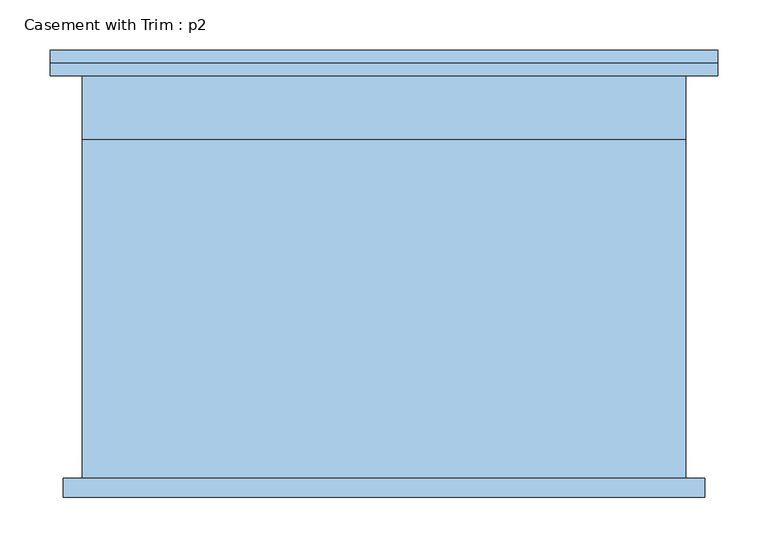
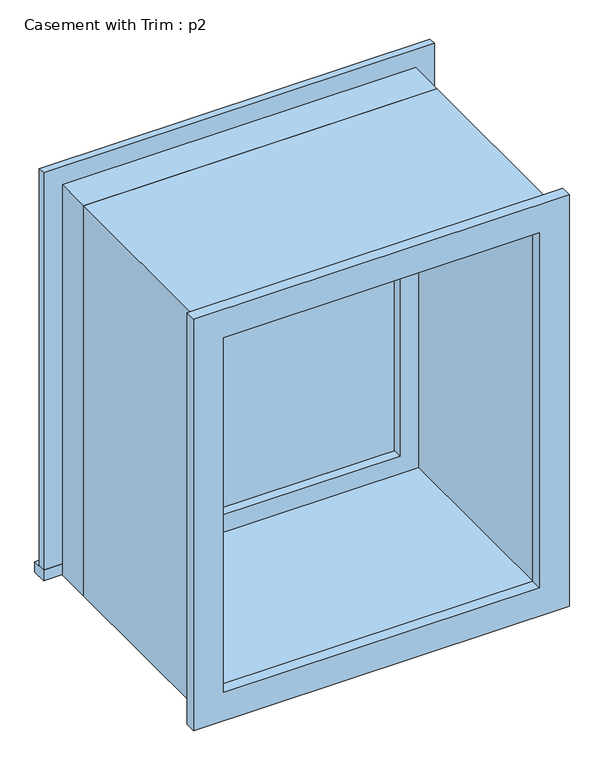
"""IFC4 building model written with IfcOpenShell, lengths in millimetres: window geometry, Casement with Trim : p2."""

from ifc_helpers import new_model, si_unit, frame, origin, place, context, project, spatial, polyline, outline, extrude, source, transform, mapped, element, save


def casement_with_trim_p2_04b9f405(model_context):
    return source(origin(), model_context, "Body", "SweptSolid", [
        extrude(outline(polyline([(-331.75, 225.4), (331.75, 225.4), (331.75, 200.0), (-331.75, 200.0), (-331.75, 225.4)])), frame((0.0, 0.0, 914.4), z_axis=(0.0, 0.0, 1.0), x_axis=(1.0, 0.0, 0.0)), (0.0, 0.0, 1.0), 19.05),
        extrude(outline(polyline([(1595.35, -280.95), (1595.35, 280.95), (933.45, 280.95), (933.45, 331.75), (1646.15, 331.75), (1646.15, -331.75), (933.45, -331.75), (933.45, -280.95), (1595.35, -280.95)])), frame((0.0, 200.0, 0.0), z_axis=(0.0, 1.0, 0.0), x_axis=(0.0, 0.0, 1.0)), (0.0, 0.0, 1.0), 12.7),
        extrude(outline(polyline([(1633.45, 319.05), (1633.45, -319.05), (895.35, -319.05), (895.35, 319.05), (1633.45, 319.05)]), holes=[polyline([(1582.65, 268.25), (946.15, 268.25), (946.15, -268.25), (1582.65, -268.25), (1582.65, 268.25)])]), frame((0.0, -219.05, 0.0), z_axis=(0.0, 1.0, 0.0), x_axis=(0.0, 0.0, 1.0)), (0.0, 0.0, 1.0), 19.05),
        extrude(outline(polyline([(236.5, 152.375), (-236.5, 152.375), (-236.5, 165.075), (236.5, 165.075), (236.5, 152.375)])), frame((0.0, 0.0, 977.9), z_axis=(0.0, 0.0, 1.0), x_axis=(1.0, 0.0, 0.0)), (0.0, 0.0, 1.0), 573.0),
        extrude(outline(polyline([(1595.35, -280.95), (933.45, -280.95), (933.45, 280.95), (1595.35, 280.95), (1595.35, -280.95)]), holes=[polyline([(1550.9, -236.5), (1550.9, 236.5), (977.9, 236.5), (977.9, -236.5), (1550.9, -236.5)])]), frame((0.0, 136.5, 0.0), z_axis=(0.0, 1.0, 0.0), x_axis=(0.0, 0.0, 1.0)), (0.0, 0.0, 1.0), 44.45),
        extrude(outline(polyline([(1614.4, -300.0), (914.4, -300.0), (914.4, 300.0), (1614.4, 300.0), (1614.4, -300.0)]), holes=[polyline([(1582.65, -268.25), (1582.65, 268.25), (946.15, 268.25), (946.15, -268.25), (1582.65, -268.25)])]), frame((0.0, -200.0, 0.0), z_axis=(0.0, 1.0, 0.0), x_axis=(0.0, 0.0, 1.0)), (0.0, 0.0, 1.0), 336.5),
        extrude(outline(polyline([(1614.4, 300.0), (1614.4, -300.0), (914.4, -300.0), (914.4, 300.0), (1614.4, 300.0)]), holes=[polyline([(1595.35, 280.95), (933.45, 280.95), (933.45, -280.95), (1595.35, -280.95), (1595.35, 280.95)])]), frame((0.0, 136.5, 0.0), z_axis=(0.0, 1.0, 0.0), x_axis=(0.0, 0.0, 1.0)), (0.0, 0.0, 1.0), 63.5),
    ])


if __name__ == "__main__":
    model = new_model("IFC4")
    model_context = context("Model", 3, world=origin())
    ifc_project = project(units=[si_unit("LENGTHUNIT", "METRE", prefix="MILLI")], contexts=[model_context])
    site = spatial("IfcSite", under=ifc_project)
    building = spatial("IfcBuilding", under=site)
    placement = place(None, origin())
    casement_with_trim_p2_shape = casement_with_trim_p2_04b9f405(model_context)
    element("IfcWindow", 1, ObjectType="Casement with Trim : p2", at=placement, inside=building, context=model_context, shape_type="MappedRepresentation", body=[
        mapped(casement_with_trim_p2_shape, transform((0.0, 0.0, 0.0), x_axis=(1.0, 0.0, 0.0), y_axis=(0.0, 1.0, 0.0), z_axis=(0.0, 0.0, 1.0))),
    ])
    save(model, "model.ifc")
